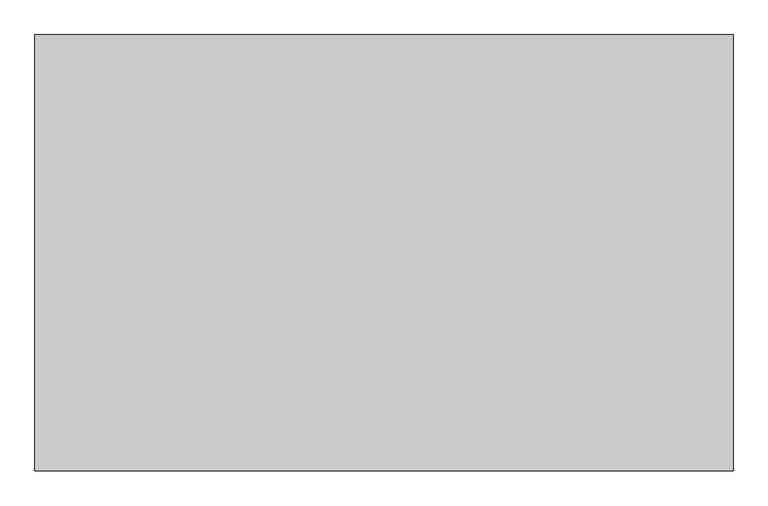
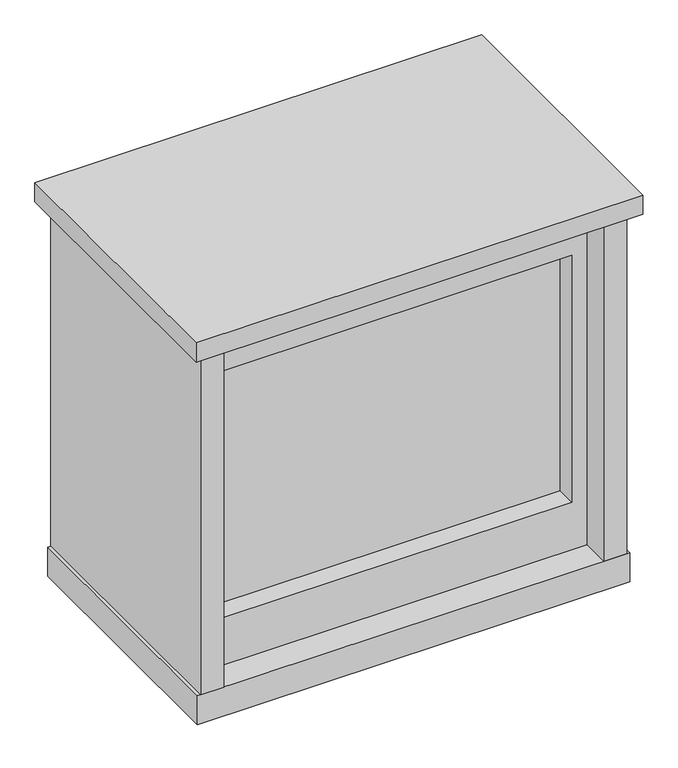
"""IFC4 building model written with IfcOpenShell, lengths in millimetres: proxy geometry."""

from ifc_helpers import new_model, si_unit, frame, origin, origin_with_axes, place, context, project, spatial, polyline, outline, extrude, source, transform, mapped, element, save


def generic_models_bc46777f(model_context):
    return source(origin(), model_context, "Body", "SweptSolid", [
        extrude(outline(polyline([(441.325, -203.2), (-441.325, -203.2), (-441.325, 203.2), (441.325, 203.2), (441.325, -203.2)])), frame((0.0, 0.0, 204.7875), z_axis=(0.0, 0.0, 1.0), x_axis=(1.0, 0.0, 0.0)), (0.0, 0.0, 1.0), 658.8125),
        extrude(outline(polyline([(990.6, 479.425), (990.6, -479.425), (77.7875, -479.425), (77.7875, 479.425), (990.6, 479.425)]), holes=[polyline([(204.7875, -441.325), (863.6, -441.325), (863.6, 441.325), (204.7875, 441.325), (204.7875, -441.325)])]), frame((0.0, -254.0, 0.0), z_axis=(0.0, 1.0, 0.0), x_axis=(0.0, 0.0, 1.0)), (0.0, 0.0, 1.0), 508.0),
        extrude(outline(polyline([(564.0705, 352.425), (564.0705, -352.425), (-564.0705, -352.425), (-564.0705, 352.425), (564.0705, 352.425)])), frame((0.0, 0.0, 990.6), z_axis=(0.0, 0.0, 1.0), x_axis=(1.0, 0.0, 0.0)), (0.0, 0.0, 1.0), 50.8),
        extrude(outline(polyline([(479.425, 327.025), (538.1625, 327.025), (538.1625, -327.025), (479.425, -327.025), (479.425, 327.025)])), frame((0.0, 0.0, 77.7875), z_axis=(0.0, 0.0, 1.0), x_axis=(1.0, 0.0, 0.0)), (0.0, 0.0, 1.0), 912.8125),
        extrude(outline(polyline([(-479.425, 327.025), (-479.425, -327.025), (-538.1625, -327.025), (-538.1625, 327.025), (-479.425, 327.025)])), frame((0.0, 0.0, 77.7875), z_axis=(0.0, 0.0, 1.0), x_axis=(1.0, 0.0, 0.0)), (0.0, 0.0, 1.0), 912.8125),
        extrude(outline(polyline([(546.1, 327.025), (546.1, -327.025), (-546.1, -327.025), (-546.1, 327.025), (546.1, 327.025)])), origin_with_axes(), (0.0, 0.0, 1.0), 77.7875),
    ])


if __name__ == "__main__":
    model = new_model("IFC4")
    model_context = context("Model", 3, world=origin())
    ifc_project = project(units=[si_unit("LENGTHUNIT", "METRE", prefix="MILLI")], contexts=[model_context])
    site = spatial("IfcSite", under=ifc_project)
    building = spatial("IfcBuilding", under=site)
    placement = place(None, origin())
    generic_models_shape = generic_models_bc46777f(model_context)
    element("IfcBuildingElementProxy", 1, Name="Generic Models", at=placement, inside=building, context=model_context, shape_type="MappedRepresentation", body=[
        mapped(generic_models_shape, transform((0.0, 0.0, 0.0), x_axis=(1.0, 0.0, 0.0), y_axis=(0.0, 1.0, 0.0), z_axis=(0.0, 0.0, 1.0))),
    ])
    save(model, "model.ifc")
